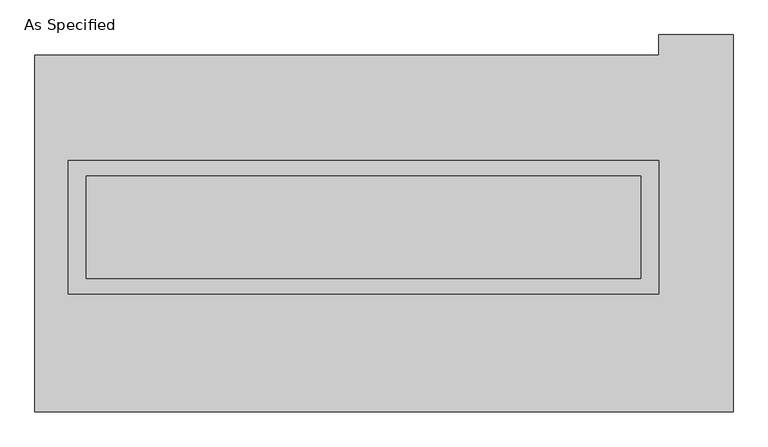
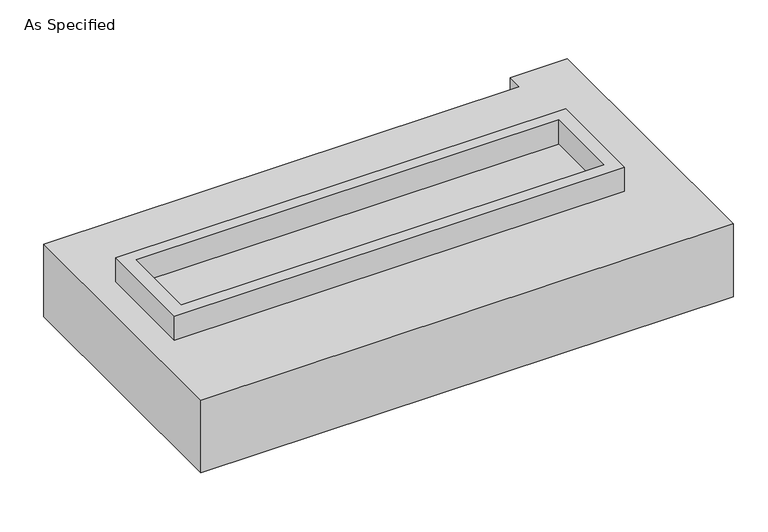
"""IFC4 building model written with IfcOpenShell, lengths in millimetres: proxy geometry, As Specified."""

from ifc_helpers import new_model, si_unit, frame, origin, place, context, project, spatial, polyline, outline, extrude, source, transform, mapped, element, save


def as_specified_41d9d4aa(model_context):
    return source(origin(), model_context, "Body", "SweptSolid", [
        extrude(outline(polyline([(1460.5, 361.95), (1460.5, -298.45), (-1460.5, -298.45), (-1460.5, 361.95), (1460.5, 361.95)]), holes=[polyline([(1371.6, 285.75), (-1371.6, 285.75), (-1371.6, -222.25), (1371.6, -222.25), (1371.6, 285.75)])]), frame((0.0, 0.0, -688.975), z_axis=(0.0, 0.0, 1.0), x_axis=(1.0, 0.0, 0.0)), (0.0, 0.0, 1.0), 165.1),
        extrude(outline(polyline([(1460.5, 361.95), (1460.5, -298.45), (-1460.5, -298.45), (-1460.5, 361.95), (1460.5, 361.95)]), holes=[polyline([(1371.6, 285.75), (-1371.6, 285.75), (-1371.6, -222.25), (1371.6, -222.25), (1371.6, 285.75)])]), frame((0.0, 0.0, -25.4), z_axis=(0.0, 0.0, 1.0), x_axis=(1.0, 0.0, 0.0)), (0.0, 0.0, 1.0), 165.1),
        extrude(outline(polyline([(1371.6, 285.75), (1371.6, -222.25), (-1371.6, -222.25), (-1371.6, 285.75), (1371.6, 285.75)])), frame((0.0, 0.0, -523.875), z_axis=(0.0, 0.0, 1.0), x_axis=(1.0, 0.0, 0.0)), (0.0, 0.0, 1.0), 4.9609375),
        extrude(outline(polyline([(1371.6, 285.75), (1371.6, -222.25), (-1371.6, -222.25), (-1371.6, 285.75), (1371.6, 285.75)])), frame((0.0, 0.0, -30.3609375), z_axis=(0.0, 0.0, 1.0), x_axis=(1.0, 0.0, 0.0)), (0.0, 0.0, 1.0), 4.9609375),
        extrude(outline(polyline([(1828.8, -882.65), (-1625.6, -882.65), (-1625.6, 882.65), (1460.5, 882.65), (1460.5, 984.25), (1828.8, 984.25), (1828.8, -882.65)]), holes=[polyline([(-1460.5, 361.95), (-1460.5, -298.45), (1460.5, -298.45), (1460.5, 361.95), (-1460.5, 361.95)])]), frame((0.0, 0.0, -523.875), z_axis=(0.0, 0.0, 1.0), x_axis=(1.0, 0.0, 0.0)), (0.0, 0.0, 1.0), 498.475),
    ])


if __name__ == "__main__":
    model = new_model("IFC4")
    model_context = context("Model", 3, world=origin())
    ifc_project = project(units=[si_unit("LENGTHUNIT", "METRE", prefix="MILLI")], contexts=[model_context])
    site = spatial("IfcSite", under=ifc_project)
    building = spatial("IfcBuilding", under=site)
    placement = place(None, origin())
    as_specified_shape = as_specified_41d9d4aa(model_context)
    element("IfcBuildingElementProxy", 1, Name="As Specified", ObjectType="As Specified", at=placement, inside=building, context=model_context, shape_type="MappedRepresentation", body=[
        mapped(as_specified_shape, transform((0.0, 0.0, 0.0), x_axis=(1.0, 0.0, 0.0), y_axis=(0.0, 1.0, 0.0), z_axis=(0.0, 0.0, 1.0))),
    ])
    save(model, "model.ifc")
